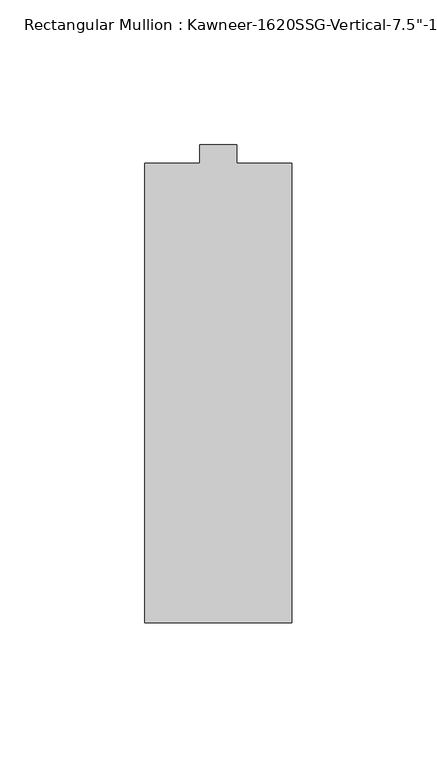
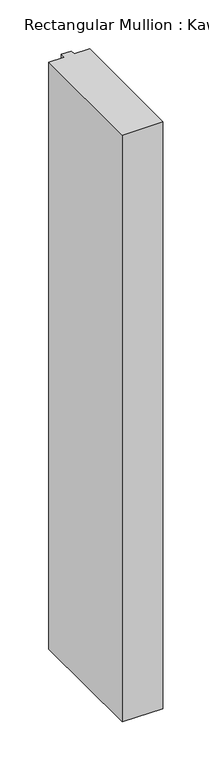
"""IFC4 building model written with IfcOpenShell, lengths in millimetres: member geometry."""

from ifc_helpers import new_model, si_unit, frame, origin, place, context, project, spatial, polyline, outline, extrude, source, transform, mapped, element, save


def member_bf49afc0(model_context):
    return source(origin(), model_context, "Body", "SweptSolid", [
        extrude(outline(polyline([(25.4, -161.925), (-25.4, -161.925), (-25.4, -3.175), (-6.35, -3.175), (-6.35, 3.175), (6.35, 3.175), (6.35, -3.175), (25.4, -3.175), (25.4, -161.925)])), frame((0.0, 0.0, -777.875), z_axis=(0.0, 0.0, 1.0), x_axis=(1.0, 0.0, 0.0)), (0.0, 0.0, 1.0), 777.875),
    ])


if __name__ == "__main__":
    model = new_model("IFC4")
    model_context = context("Model", 3, world=origin())
    ifc_project = project(units=[si_unit("LENGTHUNIT", "METRE", prefix="MILLI")], contexts=[model_context])
    site = spatial("IfcSite", under=ifc_project)
    building = spatial("IfcBuilding", under=site)
    placement = place(None, origin())
    member_shape = member_bf49afc0(model_context)
    element("IfcMember", 1, ObjectType="Rectangular Mullion : Kawneer-1620SSG-Vertical-7.5\"-1/4\"Infill-Standard", at=placement, inside=building, context=model_context, shape_type="MappedRepresentation", body=[
        mapped(member_shape, transform((0.0, 0.0, 0.0), x_axis=(1.0, 0.0, 0.0), y_axis=(0.0, 1.0, 0.0), z_axis=(0.0, 0.0, 1.0))),
    ])
    save(model, "model.ifc")
